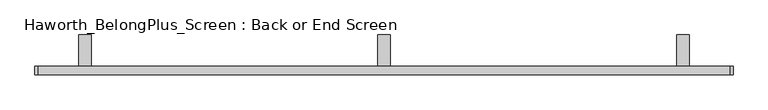
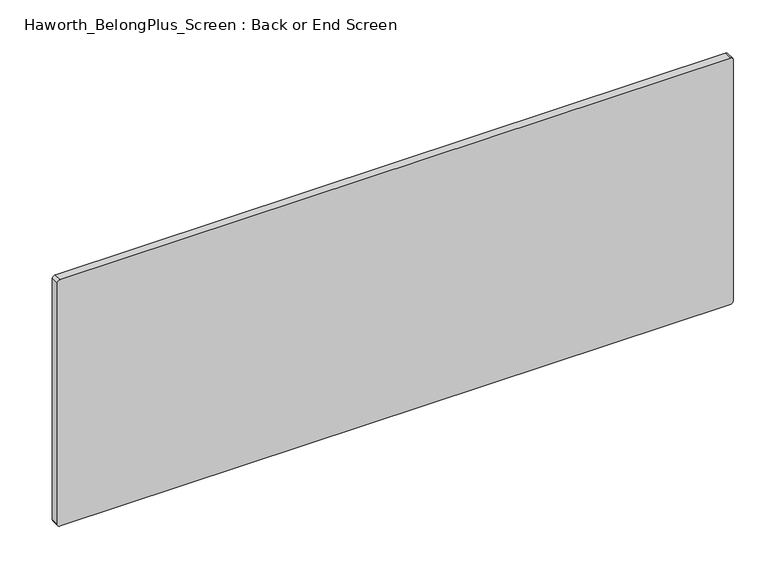
"""IFC4 building model written with IfcOpenShell, lengths in millimetres: furniture geometry, Haworth_BelongPlus_Screen : Back or End Screen."""

from ifc_helpers import new_model, si_unit, point, frame, frame_2d, origin, place, context, project, spatial, polyline, circle_curve, trimmed, segment, composite_curve, outline, extrude, source, transform, mapped, element, save


def haworth_belongplus_screen_back_or_end_screen_5d6c05e3(model_context):
    return source(origin(), model_context, "Body", "SweptSolid", [
        extrude(outline(polyline([(11.1125, 706.4375), (90.4875, 706.4375), (90.4875, 700.0875), (17.4625, 700.0875), (17.4625, 654.05), (11.1125, 654.05), (11.1125, 706.4375)])), frame((-48.5395436, 0.0, 0.0), z_axis=(1.0, 0.0, 0.0), x_axis=(0.0, 1.0, 0.0)), (0.0, 0.0, 1.0), 31.75),
        extrude(outline(polyline([(11.1125, 706.4375), (90.4875, 706.4375), (90.4875, 700.0875), (17.4625, 700.0875), (17.4625, 654.05), (11.1125, 654.05), (11.1125, 706.4375)])), frame((-810.5395436, 0.0, 0.0), z_axis=(1.0, 0.0, 0.0), x_axis=(0.0, 1.0, 0.0)), (0.0, 0.0, 1.0), 31.75),
        extrude(outline(polyline([(11.1125, 706.4375), (90.4875, 706.4375), (90.4875, 700.0875), (17.4625, 700.0875), (17.4625, 654.05), (11.1125, 654.05), (11.1125, 706.4375)])), frame((713.4604564, 0.0, 0.0), z_axis=(1.0, 0.0, 0.0), x_axis=(0.0, 1.0, 0.0)), (0.0, 0.0, 1.0), 31.75),
        extrude(outline(composite_curve([segment(polyline([(1062.0375, 848.3979564), (1062.0375, -913.7270436)]), True, "CONTINUOUS"), segment(trimmed(circle_curve(frame_2d((1054.1, -913.7270436)), 7.9375), [point((1062.0375, -913.7270436))], [point((1054.1, -921.6645436))], False, "CARTESIAN"), True, "CONTINUOUS"), segment(polyline([(1054.1, -921.6645436), (384.175, -921.6645436)]), True, "CONTINUOUS"), segment(trimmed(circle_curve(frame_2d((384.175, -913.7270436)), 7.9375), [point((384.175, -921.6645436))], [point((376.2375, -913.7270436))], False, "CARTESIAN"), True, "CONTINUOUS"), segment(polyline([(376.2375, -913.7270436), (376.2375, 848.3979564)]), True, "CONTINUOUS"), segment(trimmed(circle_curve(frame_2d((384.175, 848.3979564)), 7.9375), [point((376.2375, 848.3979564))], [point((384.175, 856.3354564))], False, "CARTESIAN"), True, "CONTINUOUS"), segment(polyline([(384.175, 856.3354564), (1054.1, 856.3354564)]), True, "CONTINUOUS"), segment(trimmed(circle_curve(frame_2d((1054.1, 848.3979564)), 7.9375), [point((1054.1, 856.3354564))], [point((1062.0375, 848.3979564))], False, "CARTESIAN"), True, "CONTINUOUS")], self_intersect=False)), frame((0.0, -11.1125, 0.0), z_axis=(0.0, 1.0, 0.0), x_axis=(0.0, 0.0, 1.0)), (0.0, 0.0, 1.0), 22.225),
    ])


if __name__ == "__main__":
    model = new_model("IFC4")
    model_context = context("Model", 3, world=origin())
    ifc_project = project(units=[si_unit("LENGTHUNIT", "METRE", prefix="MILLI")], contexts=[model_context])
    site = spatial("IfcSite", under=ifc_project)
    building = spatial("IfcBuilding", under=site)
    placement = place(None, origin())
    haworth_belongplus_screen_back_or_end_screen_shape = haworth_belongplus_screen_back_or_end_screen_5d6c05e3(model_context)
    element("IfcFurniture", 1, ObjectType="Haworth_BelongPlus_Screen : Back or End Screen", at=placement, inside=building, context=model_context, shape_type="MappedRepresentation", body=[
        mapped(haworth_belongplus_screen_back_or_end_screen_shape, transform((0.0, 0.0, 0.0), x_axis=(1.0, 0.0, 0.0), y_axis=(0.0, 1.0, 0.0), z_axis=(0.0, 0.0, 1.0))),
    ])
    save(model, "model.ifc")
